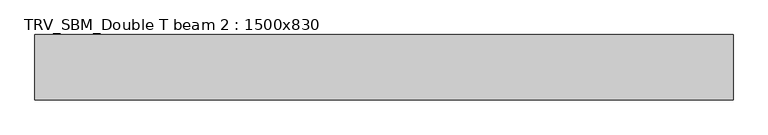
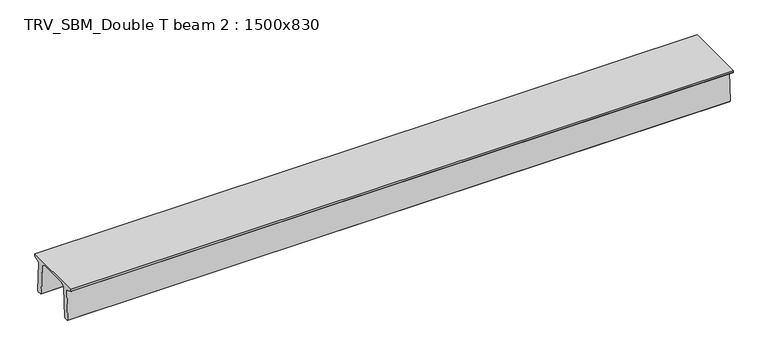
"""IFC4 building model written with IfcOpenShell, lengths in millimetres: beam geometry, TRV_SBM_Double T beam 2 : 1500x830."""

from ifc_helpers import new_model, si_unit, frame, origin, place, context, project, spatial, polyline, outline, extrude, source, transform, mapped, element, save


def trv_sbm_double_t_beam_2_1500x830_40ac2a71(model_context):
    return source(origin(), model_context, "Body", "SweptSolid", [
        extrude(outline(polyline([(337.4555014, 470.0), (-343.4555014, 470.0), (-456.5828437, 409.8491251), (-494.786332, -340.5206011), (-514.2657308, -360.0), (-604.2657308, -360.0), (-624.8277662, -339.4379646), (-586.9373878, 401.9654693), (-752.8511046, 468.9989621), (-753.0, 475.0), (-753.0, 520.0), (747.0, 520.0), (747.0, 475.0), (746.8511046, 468.9989621), (580.9373878, 401.9654693), (618.8277662, -339.4379646), (598.2657308, -360.0), (508.2657308, -360.0), (488.786332, -340.5206011), (450.5828437, 409.8491251), (337.4555014, 470.0)])), frame((-7947.0, 0.0, 0.0), z_axis=(1.0, 0.0, 0.0), x_axis=(0.0, 1.0, 0.0)), (0.0, 0.0, 1.0), 15971.0),
    ])


if __name__ == "__main__":
    model = new_model("IFC4")
    model_context = context("Model", 3, world=origin())
    ifc_project = project(units=[si_unit("LENGTHUNIT", "METRE", prefix="MILLI")], contexts=[model_context])
    site = spatial("IfcSite", under=ifc_project)
    building = spatial("IfcBuilding", under=site)
    placement = place(None, origin())
    trv_sbm_double_t_beam_2_1500x830_shape = trv_sbm_double_t_beam_2_1500x830_40ac2a71(model_context)
    element("IfcBeam", 1, ObjectType="TRV_SBM_Double T beam 2 : 1500x830", at=placement, inside=building, context=model_context, shape_type="MappedRepresentation", body=[
        mapped(trv_sbm_double_t_beam_2_1500x830_shape, transform((0.0, 0.0, 0.0), x_axis=(1.0, 0.0, 0.0), y_axis=(0.0, 1.0, 0.0), z_axis=(0.0, 0.0, 1.0))),
    ])
    save(model, "model.ifc")
